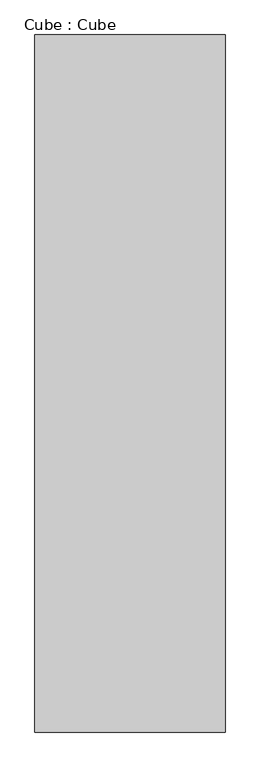
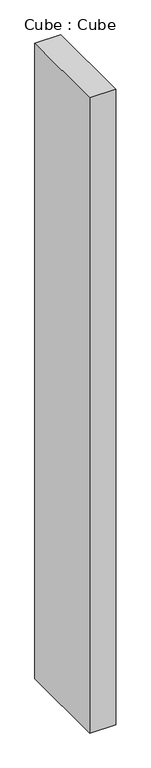
"""IFC4 building model written with IfcOpenShell, lengths in millimetres: proxy geometry, Cube : Cube."""

from ifc_helpers import new_model, si_unit, origin, origin_with_axes, place, context, project, spatial, polyline, outline, extrude, source, transform, mapped, element, save


def cube_cube_711b18d2(model_context):
    return source(origin(), model_context, "Body", "SweptSolid", [
        extrude(outline(polyline([(300.0, 1100.0), (300.0, -1100.0), (-300.0, -1100.0), (-300.0, 1100.0), (300.0, 1100.0)])), origin_with_axes(), (0.0, 0.0, 1.0), 15560.0),
    ])


if __name__ == "__main__":
    model = new_model("IFC4")
    model_context = context("Model", 3, world=origin())
    ifc_project = project(units=[si_unit("LENGTHUNIT", "METRE", prefix="MILLI")], contexts=[model_context])
    site = spatial("IfcSite", under=ifc_project)
    building = spatial("IfcBuilding", under=site)
    placement = place(None, origin())
    cube_cube_shape = cube_cube_711b18d2(model_context)
    element("IfcBuildingElementProxy", 1, Name="Cube : Cube", ObjectType="Cube : Cube", at=placement, inside=building, context=model_context, shape_type="MappedRepresentation", body=[
        mapped(cube_cube_shape, transform((0.0, 0.0, 0.0), x_axis=(1.0, 0.0, 0.0), y_axis=(0.0, 1.0, 0.0), z_axis=(0.0, 0.0, 1.0))),
    ])
    save(model, "model.ifc")
